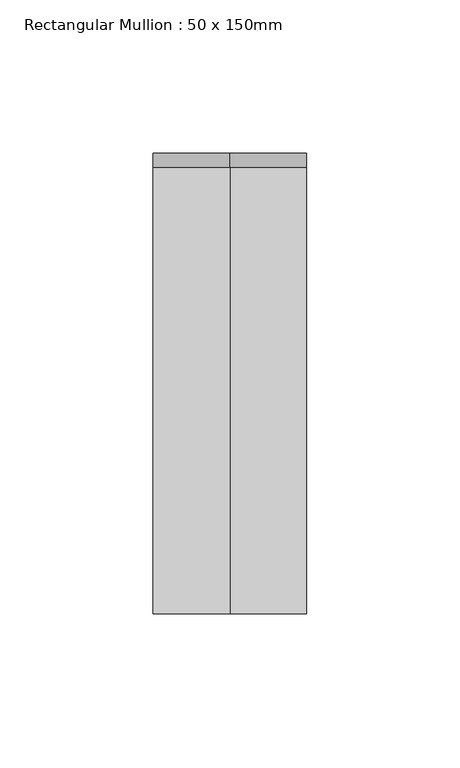
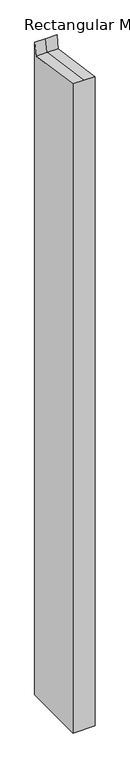
"""IFC4 building model written with IfcOpenShell, lengths in millimetres: member geometry, Rectangular Mullion : 50 x 150mm."""

from ifc_helpers import new_model, si_unit, origin, place, context, project, spatial, faceted_brep, source, transform, mapped, element, save


def rectangular_mullion_50_x_150mm_3cfaaa1b(model_context):
    return source(origin(), model_context, "Body", "Brep", [
        faceted_brep([(25.0, 75.0, -1538.1256974), (25.0, -75.0, -1538.1256974), (-25.0, -75.0, -1538.1256974), (-25.0, 75.0, -1538.1256974), (-25.0, 75.0, 19.4810862), (0.0, 75.0, 19.4810862), (25.0, 75.0, 19.4810862), (-25.0, -75.0, 10.8257055), (-25.0, 70.5326896, -10.7090982), (25.0, -75.0, 10.8257055), (0.0, -75.0, 10.8257055), (25.0, 70.5326896, -10.7090982), (0.0, 70.5326896, -10.7090982)], [[[0, 1, 2, 3]], [[4, 5, 6, 0, 3]], [[7, 8, 4, 3, 2]], [[9, 10, 7, 2, 1]], [[6, 11, 9, 1, 0]], [[6, 5, 12, 11]], [[5, 4, 8, 12]], [[8, 7, 10, 12]], [[10, 9, 11, 12]]]),
    ])


if __name__ == "__main__":
    model = new_model("IFC4")
    model_context = context("Model", 3, world=origin())
    ifc_project = project(units=[si_unit("LENGTHUNIT", "METRE", prefix="MILLI")], contexts=[model_context])
    site = spatial("IfcSite", under=ifc_project)
    building = spatial("IfcBuilding", under=site)
    placement = place(None, origin())
    rectangular_mullion_50_x_150mm_shape = rectangular_mullion_50_x_150mm_3cfaaa1b(model_context)
    element("IfcMember", 1, ObjectType="Rectangular Mullion : 50 x 150mm", at=placement, inside=building, context=model_context, shape_type="MappedRepresentation", body=[
        mapped(rectangular_mullion_50_x_150mm_shape, transform((0.0, 0.0, 0.0), x_axis=(1.0, 0.0, 0.0), y_axis=(0.0, 1.0, 0.0), z_axis=(0.0, 0.0, 1.0))),
    ])
    save(model, "model.ifc")
